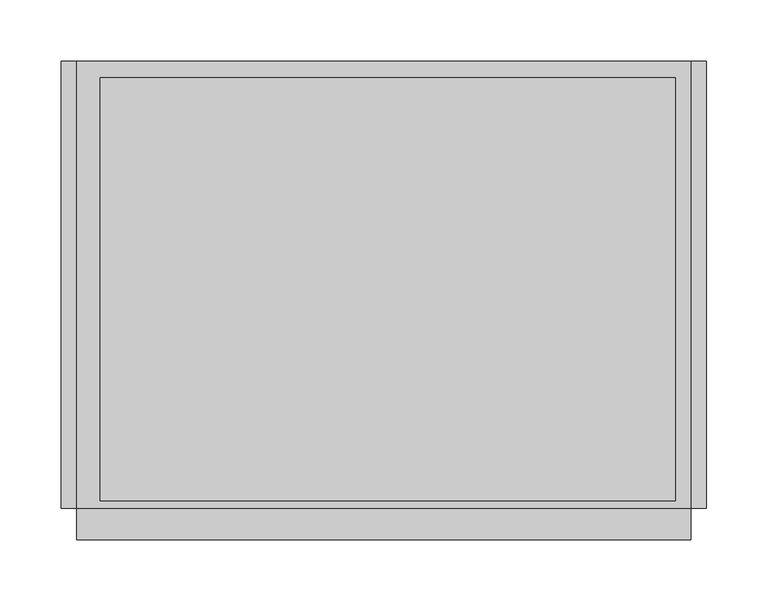
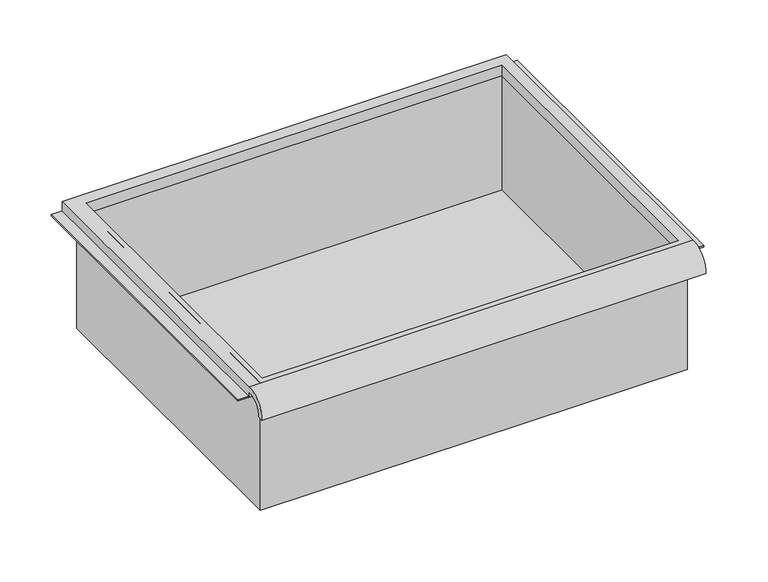
"""IFC4 building model written with IfcOpenShell, lengths in millimetres: furniture geometry."""

from ifc_helpers import new_model, si_unit, frame, origin, place, context, project, spatial, polyline, circle_curve, faceted_brep, source, transform, mapped, element, save
from ifc_brep_helpers import plane_surface, cylinder_surface, revolved_surface, advanced_brep


def furniture_2ca0759a(model_context):
    return source(origin(), model_context, "Body", "SolidModel", [
        advanced_brep(
        [(263.7474999, -195.297482, 587.7272182), (263.7474999, -188.9125, 587.7272182), (263.7474999, -169.8625, 605.9886914), (263.7474999, -169.8625, 599.638691), (263.7474999, 195.2625, 599.638691), (263.7474999, 195.2625, 612.3386914), (263.7474999, -169.8625, 612.3386914), (-237.9025001, -195.297482, 587.7272182), (-237.9025001, -169.8625, 612.3386914), (-237.9025001, 195.2625, 612.3386914), (-237.9025001, 195.2625, 599.638691), (-237.9025001, -169.8625, 599.638691), (-237.9025001, -169.8625, 605.9886914), (-237.9025001, -188.9125, 587.7272182), (251.0474878, 181.9275, 599.638691), (-218.8095642, 181.9275, 599.638691), (-218.8095642, -163.5125, 599.638691), (251.0474878, -163.5125, 599.638691), (-218.8095642, 181.9275, 612.3386914), (251.0474878, 181.9275, 612.3386914), (251.0474878, -163.5125, 612.3386914), (-218.8095642, -163.5125, 612.3386914)],
        [
            (0, 1),
            (1, 2, circle_curve(frame((263.7474999, -172.3404634, 589.5066285), z_axis=(-1.0, 0.0, 0.0), x_axis=(0.0, 1.0, 0.0)), 16.6672942)),
            (2, 3),
            (3, 4),
            (4, 5),
            (5, 6),
            (6, 0, circle_curve(frame((263.7474999, -172.4601678, 589.5745185), z_axis=(1.0, 0.0, 0.0), x_axis=(0.0, 1.0, 0.0)), 22.9119061)),
            (7, 8, circle_curve(frame((-237.9025001, -172.4601678, 589.5745185), z_axis=(-1.0, 0.0, 0.0), x_axis=(0.0, 1.0, 0.0)), 22.9119061)),
            (8, 9),
            (9, 10),
            (10, 11),
            (11, 12),
            (12, 13, circle_curve(frame((-237.9025001, -172.3404634, 589.5066285), z_axis=(1.0, 0.0, 0.0), x_axis=(0.0, 1.0, 0.0)), 16.6672942)),
            (13, 7),
            (0, 7),
            (13, 1),
            (12, 2),
            (11, 3),
            (10, 4),
            (14, 15),
            (15, 16),
            (16, 17),
            (17, 14),
            (9, 5),
            (8, 6),
            (18, 19),
            (19, 20),
            (20, 21),
            (21, 18),
            (14, 19),
            (18, 15),
            (21, 16),
            (20, 17),
        ],
        [
            plane_surface(frame((263.7474999, -195.297482, 587.7272182), z_axis=(1.0, 0.0, 0.0), x_axis=(0.0, 1.0, 0.0))),
            plane_surface(frame((-237.9025001, -195.297482, 587.7272182), z_axis=(-1.0, 0.0, 0.0), x_axis=(0.0, -1.0, 0.0))),
            plane_surface(frame((263.7474999, -195.297482, 587.7272182), z_axis=(0.0, 0.0, -1.0), x_axis=(-1.0, 0.0, 0.0))),
            revolved_surface(polyline([(-237.9025001, -155.67316920000002, 589.5066285), (263.7474999, -155.67316920000002, 589.5066285)]), (-237.9025001, -172.3404634, 589.5066285), (-1.0, 0.0, 0.0)),
            plane_surface(frame((263.7474999, -169.8625, 605.9886914), z_axis=(0.0, -1.0, 0.0), x_axis=(-1.0, 0.0, 0.0))),
            plane_surface(frame((263.7474999, -169.8625, 599.638691), z_axis=(0.0, 0.0, -1.0), x_axis=(-1.0, 0.0, 0.0))),
            plane_surface(frame((263.7474999, 195.2625, 599.638691), z_axis=(0.0, 1.0, 0.0), x_axis=(-1.0, 0.0, 0.0))),
            plane_surface(frame((263.7474999, 195.2625, 612.3386914), z_axis=(0.0, 0.0, 1.0), x_axis=(-1.0, 0.0, 0.0))),
            cylinder_surface(frame((-237.9025001, -172.4601678, 589.5745185), z_axis=(1.0, 0.0, 0.0), x_axis=(0.0, 1.0, 0.0)), 22.9119061),
            plane_surface(frame((251.0474878, 181.9275, 612.3386914), z_axis=(0.0, -1.0, 0.0), x_axis=(0.0, 0.0, -1.0))),
            plane_surface(frame((-218.8095642, 181.9275, 612.3386914), z_axis=(1.0, 0.0, 0.0), x_axis=(0.0, 0.0, -1.0))),
            plane_surface(frame((-218.8095642, -163.5125, 612.3386914), z_axis=(0.0, 1.0, 0.0), x_axis=(0.0, 0.0, -1.0))),
            plane_surface(frame((251.0474878, -163.5125, 612.3386914), z_axis=(-1.0, 0.0, 0.0), x_axis=(0.0, 0.0, -1.0))),
        ],
        [
            (0, [[1, 2, 3, 4, 5, 6, 7]]),
            (1, [[8, 9, 10, 11, 12, 13, 14]]),
            (2, [[-1, 15, -14, 16]]),
            (3, [[-2, -16, -13, 17]]),
            (4, [[-3, -17, -12, 18]]),
            (5, [[-4, -18, -11, 19], [20, 21, 22, 23]]),
            (6, [[-5, -19, -10, 24]]),
            (7, [[-6, -24, -9, 25], [26, 27, 28, 29]]),
            (8, [[-7, -25, -8, -15]]),
            (9, [[30, -26, 31, -20]]),
            (10, [[-31, -29, 32, -21]]),
            (11, [[-32, -28, 33, -22]]),
            (12, [[-30, -23, -33, -27]]),
        ],
    ),
        faceted_brep([(-225.2025001, -169.8625, 459.9386914), (257.3974878, -169.8625, 459.9386914), (257.3974878, -169.8625, 612.3386914), (-225.2025001, -169.8625, 612.3386914), (-225.2025001, 188.9125, 459.9386914), (-225.2025001, 188.9125, 612.3386914), (257.3974878, 188.9125, 612.3386914), (257.3974878, 188.9125, 459.9386914), (-218.8095642, 181.9275, 612.3386914), (251.0474878, 181.9275, 612.3386914), (251.0474878, -163.5125, 612.3386914), (-218.8095642, -163.5125, 612.3386914), (251.0474878, 181.9275, 463.1136914), (-218.8095642, 181.9275, 463.1136914), (-218.8095642, -163.5125, 463.1136914), (251.0474878, -163.5125, 463.1136914)], [[[0, 1, 2, 3]], [[4, 5, 6, 7]], [[1, 0, 4, 7]], [[2, 1, 7, 6]], [[3, 2, 6, 5], [8, 9, 10, 11]], [[0, 3, 5, 4]], [[12, 13, 14, 15]], [[13, 12, 9, 8]], [[14, 13, 8, 11]], [[15, 14, 11, 10]], [[12, 15, 10, 9]]]),
        faceted_brep([(-250.6025001, 195.2625, 599.638691), (-250.6025001, 195.2625, 601.226191), (-231.5525001, 195.2625, 601.226191), (-231.5525001, 195.2625, 599.638691), (-250.6025001, -169.8625, 599.638691), (-231.5525001, -169.8625, 599.638691), (-231.5525001, -169.8625, 601.226191), (-250.6025001, -169.8625, 601.226191)], [[[0, 1, 2, 3]], [[4, 5, 6, 7]], [[1, 0, 4, 7]], [[2, 1, 7, 6]], [[3, 2, 6, 5]], [[0, 3, 5, 4]]]),
        faceted_brep([(276.4474999, 195.2625, 599.638691), (263.7474999, 195.2625, 599.638691), (263.7474999, 195.2625, 601.226191), (276.4474999, 195.2625, 601.226191), (276.4474999, -169.8625, 599.638691), (276.4474999, -169.8625, 601.226191), (263.7474999, -169.8625, 601.226191), (263.7474999, -169.8625, 599.638691)], [[[0, 1, 2, 3]], [[4, 5, 6, 7]], [[1, 0, 4, 7]], [[2, 1, 7, 6]], [[3, 2, 6, 5]], [[0, 3, 5, 4]]]),
    ])


if __name__ == "__main__":
    model = new_model("IFC4")
    model_context = context("Model", 3, world=origin())
    ifc_project = project(units=[si_unit("LENGTHUNIT", "METRE", prefix="MILLI")], contexts=[model_context])
    site = spatial("IfcSite", under=ifc_project)
    building = spatial("IfcBuilding", under=site)
    placement = place(None, origin())
    furniture_shape = furniture_2ca0759a(model_context)
    element("IfcFurniture", 1, at=placement, inside=building, context=model_context, shape_type="MappedRepresentation", body=[
        mapped(furniture_shape, transform((0.0, 0.0, 0.0), x_axis=(1.0, 0.0, 0.0), y_axis=(0.0, 1.0, 0.0), z_axis=(0.0, 0.0, 1.0))),
    ])
    save(model, "model.ifc")
